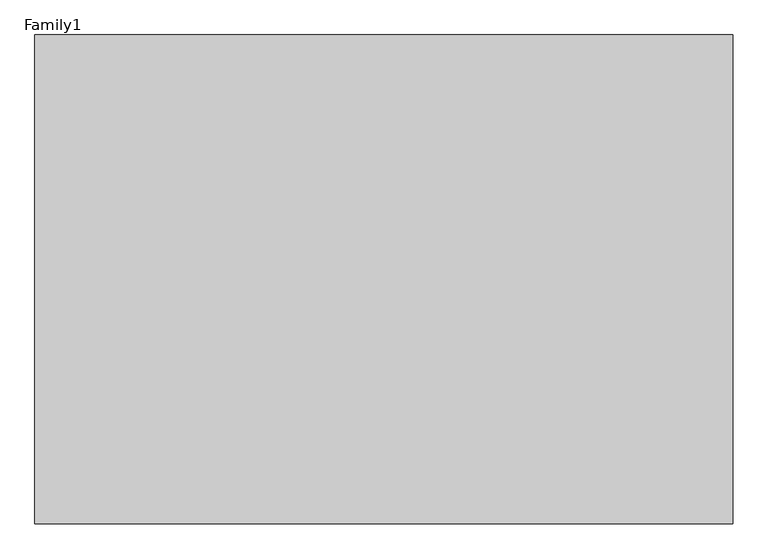
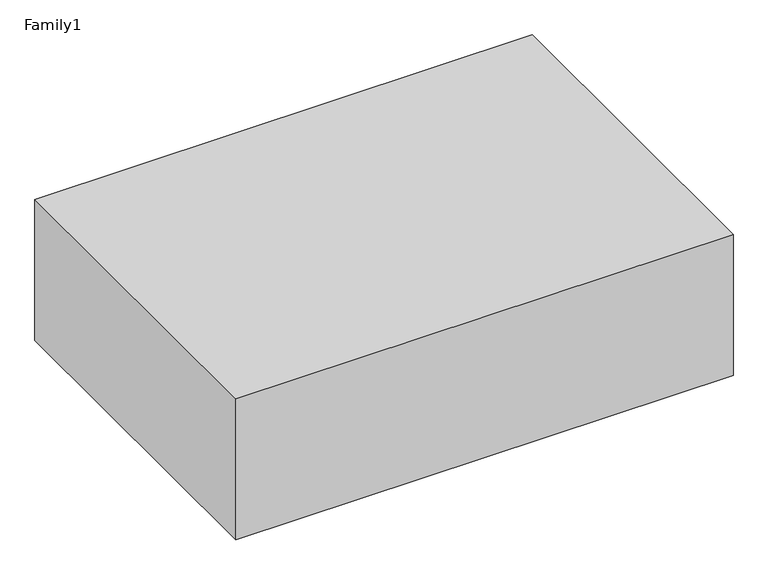
"""IFC4 building model written with IfcOpenShell, lengths in millimetres: proxy geometry, Family1."""

from ifc_helpers import new_model, si_unit, frame, origin, place, context, project, spatial, polyline, outline, extrude, source, transform, mapped, element, save


def family1_4eac7022(model_context):
    return source(origin(), model_context, "Body", "SweptSolid", [
        extrude(outline(polyline([(1000.0, 0.0), (0.0, 0.0), (0.0, 700.0), (1000.0, 700.0), (1000.0, 0.0)])), frame((0.0, 0.0, 30500.0), z_axis=(0.0, 0.0, 1.0), x_axis=(1.0, 0.0, 0.0)), (0.0, 0.0, 1.0), 300.0),
    ])


if __name__ == "__main__":
    model = new_model("IFC4")
    model_context = context("Model", 3, world=origin())
    ifc_project = project(units=[si_unit("LENGTHUNIT", "METRE", prefix="MILLI")], contexts=[model_context])
    site = spatial("IfcSite", under=ifc_project)
    building = spatial("IfcBuilding", under=site)
    placement = place(None, origin())
    family1_shape = family1_4eac7022(model_context)
    element("IfcBuildingElementProxy", 1, Name="Family1", ObjectType="Family1", at=placement, inside=building, context=model_context, shape_type="MappedRepresentation", body=[
        mapped(family1_shape, transform((0.0, 0.0, 0.0), x_axis=(1.0, 0.0, 0.0), y_axis=(0.0, 1.0, 0.0), z_axis=(0.0, 0.0, 1.0))),
    ])
    save(model, "model.ifc")
